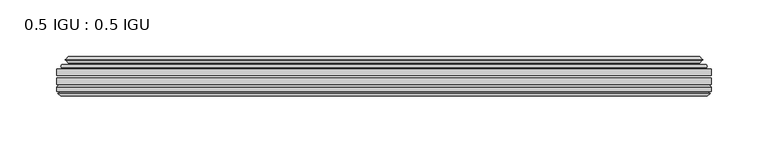
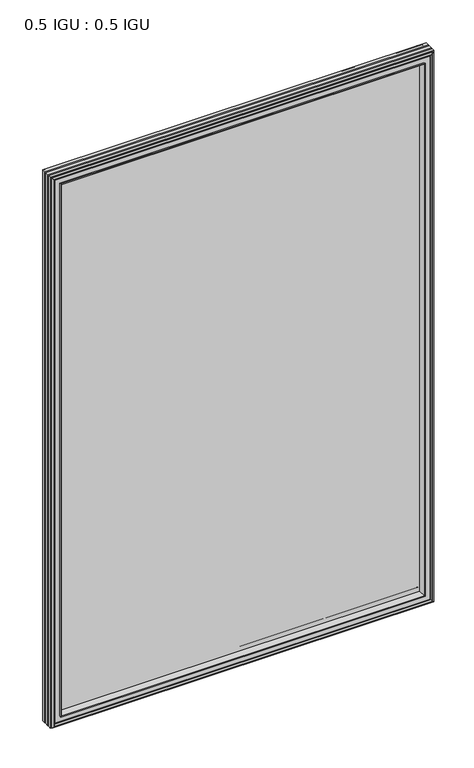
"""IFC4 building model written with IfcOpenShell, lengths in millimetres: plate geometry, 0.5 IGU : 0.5 IGU."""

from ifc_helpers import new_model, si_unit, frame, origin, place, context, project, spatial, polyline, ellipse_curve, outline, extrude, faceted_brep, source, transform, mapped, element, save
from ifc_brep_helpers import plane_surface, cylinder_surface, revolved_surface, advanced_brep


def plate_0_5_igu_0_5_igu_e51e6da3(model_context):
    return source(origin(), model_context, "Body", "SolidModel", [
        extrude(outline(polyline([(287.351675, -55.82285), (287.351675, -61.48705), (-287.3375, -61.48705), (-287.3375, -55.82285), (287.351675, -55.82285)])), frame((0.0, 0.0, -14.2875), z_axis=(0.0, 0.0, 1.0), x_axis=(1.0, 0.0, 0.0)), (0.0, 0.0, 1.0), 873.1287979),
        extrude(outline(polyline([(-287.3375, -69.05625), (-287.3375, -63.39205), (287.351675, -63.39205), (287.351675, -69.05625), (-287.3375, -69.05625)])), frame((0.0, 0.0, -14.2875), z_axis=(0.0, 0.0, 1.0), x_axis=(1.0, 0.0, 0.0)), (0.0, 0.0, 1.0), 873.1287979),
        advanced_brep(
        [(-283.2349626, -54.3724927, 854.7349626), (-282.1904378, -51.60645, 853.6904378), (-282.1904378, -51.60645, -9.1404378), (-283.2349626, -54.3724927, -10.1849626), (-281.598517, -55.82285, 853.098517), (-281.598517, -55.82285, -8.548517), (-273.05, -45.63745, 844.55), (-269.4672761, -55.82285, 840.9672761), (-269.4672761, -55.82285, 3.5827239), (-273.05, -45.63745, 0.0), (-278.2359109, -46.8185491, 849.7359109), (-278.2359109, -46.8185491, -5.1859109), (-277.4388893, -44.8183085, 848.9388893), (-277.4388893, -44.8183085, -4.3888893), (-279.7226111, -47.135817, 851.2226111), (-279.7226111, -47.135817, -6.6726111), (-279.7226111, -47.8489429, 851.2226111), (-279.7226111, -47.8489429, -6.6726111), (-277.4388893, -50.1664515, 848.9388893), (-277.4388893, -50.1664515, -4.3888893), (-278.2282501, -48.1854367, 849.7282501), (-278.2282501, -48.1854367, -5.1782501), (-275.7044379, -48.027045, 847.2044379), (-275.7044379, -48.027045, -2.6544379), (-274.6786217, -48.7147544, 846.1786217), (-274.6786217, -48.7147544, -1.6286217), (-274.7970288, -50.1092231, 846.2970288), (-274.7970288, -50.1092231, -1.7470288), (-275.3987748, -51.60645, 846.8987748), (-275.3987748, -51.60645, -2.3487748), (282.1904378, -51.60645, -9.1404378), (283.2349626, -54.3724927, -10.1849626), (281.598517, -55.82285, -8.548517), (269.4672761, -55.82285, 3.5827239), (273.05, -45.63745, 0.0), (278.2359109, -46.8185491, -5.1859109), (277.4388893, -44.8183085, -4.3888893), (279.7226111, -47.135817, -6.6726111), (279.7226111, -47.8489429, -6.6726111), (277.4388893, -50.1664515, -4.3888893), (278.2282501, -48.1854367, -5.1782501), (275.7044379, -48.027045, -2.6544379), (274.6786217, -48.7147544, -1.6286217), (274.7970288, -50.1092231, -1.7470288), (275.3987748, -51.60645, -2.3487748), (282.1904378, -51.60645, 853.6904378), (283.2349626, -54.3724927, 854.7349626), (281.598517, -55.82285, 853.098517), (269.4672761, -55.82285, 840.9672761), (273.05, -45.63745, 844.55), (278.2359109, -46.8185491, 849.7359109), (277.4388893, -44.8183085, 848.9388893), (279.7226111, -47.135817, 851.2226111), (279.7226111, -47.8489429, 851.2226111), (277.4388893, -50.1664515, 848.9388893), (278.2282501, -48.1854367, 849.7282501), (275.7044379, -48.027045, 847.2044379), (274.6786217, -48.7147544, 846.1786217), (274.7970288, -50.1092231, 846.2970288), (275.3987748, -51.60645, 846.8987748)],
        [
            (0, 1, ellipse_curve(frame((-282.1820703, -53.1898501, 853.6820703), z_axis=(-0.7071067811865475, 0.0, -0.7071067811865475), x_axis=(-0.7071067811865474, 0.0, 0.7071067811865476)), 2.2392971, 1.5834222)),
            (1, 2),
            (2, 3, ellipse_curve(frame((-282.1820703, -53.1898501, -9.1320703), z_axis=(-0.7071067811865475, 0.0, 0.7071067811865475), x_axis=(0.7071067811865474, 0.0, 0.7071067811865476)), 2.2392971, 1.5834222)),
            (3, 0),
            (4, 0),
            (3, 5),
            (5, 4),
            (6, 7, ellipse_curve(frame((-240.770246, -40.0058297, 812.270246), z_axis=(0.7071067811865475, 0.0, 0.7071067811865475), x_axis=(0.7071067811865474, 0.0, -0.7071067811865476)), 46.3399971, 32.7673262)),
            (7, 8),
            (8, 9, ellipse_curve(frame((-240.770246, -40.0058297, 32.279754), z_axis=(0.7071067811865475, 0.0, -0.7071067811865475), x_axis=(-0.7071067811865474, 0.0, -0.7071067811865476)), 46.3399971, 32.7673262)),
            (9, 6),
            (10, 6),
            (9, 11),
            (11, 10),
            (12, 10),
            (11, 13),
            (13, 12),
            (14, 12),
            (13, 15),
            (15, 14),
            (16, 14, ellipse_curve(frame((-279.3607729, -47.49238, 850.8607729), z_axis=(-0.7071067811865475, 0.0, -0.7071067811865475), x_axis=(-0.7071067811865474, 0.0, 0.7071067811865476)), 0.7184205, 0.508)),
            (15, 17, ellipse_curve(frame((-279.3607729, -47.49238, -6.3107729), z_axis=(-0.7071067811865475, 0.0, 0.7071067811865475), x_axis=(0.7071067811865474, 0.0, 0.7071067811865476)), 0.7184205, 0.508)),
            (17, 16),
            (18, 16),
            (17, 19),
            (19, 18),
            (20, 18),
            (19, 21),
            (21, 20),
            (22, 20),
            (21, 23),
            (23, 22),
            (24, 22, ellipse_curve(frame((-275.6408, -49.04105, 847.1408), z_axis=(0.7071067811865475, 0.0, 0.7071067811865475), x_axis=(0.7071067811865474, 0.0, -0.7071067811865476)), 1.436841, 1.016)),
            (23, 25, ellipse_curve(frame((-275.6408, -49.04105, -2.5908), z_axis=(0.7071067811865475, 0.0, -0.7071067811865475), x_axis=(-0.7071067811865474, 0.0, -0.7071067811865476)), 1.436841, 1.016)),
            (25, 24),
            (26, 24, ellipse_curve(frame((-277.0124, -49.21885, 848.5124), z_axis=(0.7071067811865475, 0.0, 0.7071067811865475), x_axis=(0.7071067811865474, 0.0, -0.7071067811865476)), 3.3765763, 2.3876)),
            (25, 27, ellipse_curve(frame((-277.0124, -49.21885, -3.9624), z_axis=(0.7071067811865475, 0.0, -0.7071067811865475), x_axis=(-0.7071067811865474, 0.0, -0.7071067811865476)), 3.3765763, 2.3876)),
            (27, 26),
            (28, 26),
            (27, 29),
            (29, 28),
            (2, 30),
            (30, 31, ellipse_curve(frame((282.1820703, -53.1898501, -9.1320703), z_axis=(-0.7071067811865475, 0.0, -0.7071067811865475), x_axis=(-0.7071067811865476, 0.0, 0.7071067811865474)), 2.2392971, 1.5834222)),
            (31, 3),
            (31, 32),
            (32, 5),
            (8, 33),
            (33, 34, ellipse_curve(frame((240.770246, -40.0058297, 32.279754), z_axis=(0.7071067811865475, 0.0, 0.7071067811865475), x_axis=(0.7071067811865476, 0.0, -0.7071067811865474)), 46.3399971, 32.7673262)),
            (34, 9),
            (34, 35),
            (35, 11),
            (35, 36),
            (36, 13),
            (36, 37),
            (37, 15),
            (37, 38, ellipse_curve(frame((279.3607729, -47.49238, -6.3107729), z_axis=(-0.7071067811865475, 0.0, -0.7071067811865475), x_axis=(-0.7071067811865476, 0.0, 0.7071067811865474)), 0.7184205, 0.508)),
            (38, 17),
            (38, 39),
            (39, 19),
            (39, 40),
            (40, 21),
            (40, 41),
            (41, 23),
            (41, 42, ellipse_curve(frame((275.6408, -49.04105, -2.5908), z_axis=(0.7071067811865475, 0.0, 0.7071067811865475), x_axis=(0.7071067811865476, 0.0, -0.7071067811865474)), 1.436841, 1.016)),
            (42, 25),
            (42, 43, ellipse_curve(frame((277.0124, -49.21885, -3.9624), z_axis=(0.7071067811865475, 0.0, 0.7071067811865475), x_axis=(0.7071067811865476, 0.0, -0.7071067811865474)), 3.3765763, 2.3876)),
            (43, 27),
            (43, 44),
            (44, 29),
            (30, 45),
            (45, 46, ellipse_curve(frame((282.1820703, -53.1898501, 853.6820703), z_axis=(0.7071067811865475, 0.0, -0.7071067811865475), x_axis=(-0.7071067811865474, 0.0, -0.7071067811865476)), 2.2392971, 1.5834222)),
            (46, 31),
            (46, 47),
            (47, 32),
            (33, 48),
            (48, 49, ellipse_curve(frame((240.770246, -40.0058297, 812.270246), z_axis=(-0.7071067811865475, 0.0, 0.7071067811865475), x_axis=(0.7071067811865474, 0.0, 0.7071067811865476)), 46.3399971, 32.7673262)),
            (49, 34),
            (49, 50),
            (50, 35),
            (50, 51),
            (51, 36),
            (51, 52),
            (52, 37),
            (52, 53, ellipse_curve(frame((279.3607729, -47.49238, 850.8607729), z_axis=(0.7071067811865475, 0.0, -0.7071067811865475), x_axis=(-0.7071067811865474, 0.0, -0.7071067811865476)), 0.7184205, 0.508)),
            (53, 38),
            (53, 54),
            (54, 39),
            (54, 55),
            (55, 40),
            (55, 56),
            (56, 41),
            (56, 57, ellipse_curve(frame((275.6408, -49.04105, 847.1408), z_axis=(-0.7071067811865475, 0.0, 0.7071067811865475), x_axis=(0.7071067811865474, 0.0, 0.7071067811865476)), 1.436841, 1.016)),
            (57, 42),
            (57, 58, ellipse_curve(frame((277.0124, -49.21885, 848.5124), z_axis=(-0.7071067811865475, 0.0, 0.7071067811865475), x_axis=(0.7071067811865474, 0.0, 0.7071067811865476)), 3.3765763, 2.3876)),
            (58, 43),
            (58, 59),
            (59, 44),
            (45, 1),
            (0, 46),
            (4, 47),
            (7, 48),
            (6, 49),
            (10, 50),
            (12, 51),
            (14, 52),
            (16, 53),
            (18, 54),
            (20, 55),
            (22, 56),
            (24, 57),
            (26, 58),
            (28, 59),
        ],
        [
            cylinder_surface(frame((-282.1820703, -53.1898501, 876.3), z_axis=(0.0, 0.0, 1.0), x_axis=(-1.0, 0.0, 0.0)), 1.5834222),
            plane_surface(frame((-283.2349626, -54.3724927, 854.7349626), z_axis=(-0.6632745773184306, -0.7483761320907135, 0.0), x_axis=(0.0, 0.0, -1.0))),
            revolved_surface(polyline([(-273.5375722, -40.0058297, -0.48757218957496207), (-273.5375722, -40.0058297, 845.037572189575)]), (-240.770246, -40.0058297, 876.3), (0.0, 0.0, -1.0)),
            plane_surface(frame((-273.05, -45.63745, 844.55), z_axis=(-0.2220649844278743, 0.975031867525902, 0.0), x_axis=(0.0, 0.0, -1.0))),
            plane_surface(frame((-278.2359109, -46.8185491, 849.7359109), z_axis=(0.928968268563027, -0.37015936568323066, 0.0), x_axis=(0.0, 0.0, -1.0))),
            plane_surface(frame((-277.4388893, -44.8183085, 848.9388893), z_axis=(-0.7122798501733482, 0.7018955869907096, 0.0), x_axis=(0.0, 0.0, -1.0))),
            cylinder_surface(frame((-279.3607729, -47.49238, 876.3), z_axis=(0.0, 0.0, 1.0), x_axis=(-1.0, 0.0, 0.0)), 0.508),
            plane_surface(frame((-279.7226111, -47.8489429, 851.2226111), z_axis=(-0.7122798501732925, -0.701895586990766, 0.0), x_axis=(0.0, 0.0, -1.0))),
            plane_surface(frame((-277.4388893, -50.1664515, 848.9388893), z_axis=(0.9289682685628707, 0.3701593656836228, 0.0), x_axis=(0.0, 0.0, -1.0))),
            plane_surface(frame((-278.2282501, -48.1854367, 849.7282501), z_axis=(0.0626357011928498, -0.9980364567169279, 0.0), x_axis=(0.0, 0.0, -1.0))),
            revolved_surface(polyline([(-276.65680000000003, -49.04105, -3.606800014586838), (-276.65680000000003, -49.04105, 848.1568000145869)]), (-275.6408, -49.04105, 876.3), (0.0, 0.0, -1.0)),
            revolved_surface(polyline([(-279.40000000000003, -49.21885, -6.3499999989237494), (-279.40000000000003, -49.21885, 850.8999999989237)]), (-277.0124, -49.21885, 876.3), (0.0, 0.0, -1.0)),
            plane_surface(frame((-274.7970288, -50.1092231, 846.2970288), z_axis=(-0.9278652925428184, 0.3729155385532094, 0.0), x_axis=(0.0, 0.0, -1.0))),
            cylinder_surface(frame((-304.8, -53.1898501, -9.1320703), z_axis=(-1.0, 0.0, 0.0), x_axis=(0.0, 0.0, -1.0)), 1.5834222),
            plane_surface(frame((-283.2349626, -54.3724927, -10.1849626), z_axis=(0.0, -0.7483761320907157, -0.6632745773184283), x_axis=(1.0, 0.0, 0.0))),
            revolved_surface(polyline([(273.537572189575, -40.0058297, -0.48757220000000245), (-273.5375721895749, -40.0058297, -0.48757220000000245)]), (-304.8, -40.0058297, 32.279754), (1.0, 0.0, 0.0)),
            plane_surface(frame((-273.05, -45.63745, 0.0), z_axis=(0.0, 0.9750318675259013, -0.22206498442787745), x_axis=(1.0, 0.0, 0.0))),
            plane_surface(frame((-278.2359109, -46.8185491, -5.1859109), z_axis=(0.0, -0.37015936568322766, 0.9289682685630283), x_axis=(1.0, 0.0, 0.0))),
            plane_surface(frame((-277.4388893, -44.8183085, -4.3888893), z_axis=(0.0, 0.7018955869907073, -0.7122798501733504), x_axis=(1.0, 0.0, 0.0))),
            cylinder_surface(frame((-304.8, -47.49238, -6.3107729), z_axis=(-1.0, 0.0, 0.0), x_axis=(0.0, 0.0, -1.0)), 0.508),
            plane_surface(frame((-279.7226111, -47.8489429, -6.6726111), z_axis=(0.0, -0.7018955869907684, -0.7122798501732903), x_axis=(1.0, 0.0, 0.0))),
            plane_surface(frame((-277.4388893, -50.1664515, -4.3888893), z_axis=(0.0, 0.37015936568362584, 0.9289682685628696), x_axis=(1.0, 0.0, 0.0))),
            plane_surface(frame((-278.2282501, -48.1854367, -5.1782501), z_axis=(0.0, -0.9980364567169276, 0.06263570119285301), x_axis=(1.0, 0.0, 0.0))),
            revolved_surface(polyline([(276.65680001458696, -49.04105, -3.6068000000000002), (-276.65680001458685, -49.04105, -3.6068000000000002)]), (-304.8, -49.04105, -2.5908), (1.0, 0.0, 0.0)),
            revolved_surface(polyline([(279.39999999892376, -49.21885, -6.35), (-279.3999999989238, -49.21885, -6.35)]), (-304.8, -49.21885, -3.9624), (1.0, 0.0, 0.0)),
            plane_surface(frame((-274.7970288, -50.1092231, -1.7470288), z_axis=(0.0, 0.3729155385532064, -0.9278652925428196), x_axis=(1.0, 0.0, 0.0))),
            cylinder_surface(frame((282.1820703, -53.1898501, -31.75), z_axis=(0.0, 0.0, -1.0), x_axis=(1.0, 0.0, 0.0)), 1.5834222),
            plane_surface(frame((283.2349626, -54.3724927, -10.1849626), z_axis=(0.6632745773184259, -0.7483761320907178, 0.0), x_axis=(0.0, 0.0, 1.0))),
            revolved_surface(polyline([(273.5375722, -40.0058297, 845.037572189575), (273.5375722, -40.0058297, -0.48757218957494075)]), (240.770246, -40.0058297, -31.75), (0.0, 0.0, 1.0)),
            plane_surface(frame((273.05, -45.63745, 0.0), z_axis=(0.22206498442788056, 0.9750318675259005, 0.0), x_axis=(0.0, 0.0, 1.0))),
            plane_surface(frame((278.2359109, -46.8185491, -5.1859109), z_axis=(-0.9289682685630295, -0.37015936568322466, 0.0), x_axis=(0.0, 0.0, 1.0))),
            plane_surface(frame((277.4388893, -44.8183085, -4.3888893), z_axis=(0.7122798501733526, 0.701895586990705, 0.0), x_axis=(0.0, 0.0, 1.0))),
            cylinder_surface(frame((279.3607729, -47.49238, -31.75), z_axis=(0.0, 0.0, -1.0), x_axis=(1.0, 0.0, 0.0)), 0.508),
            plane_surface(frame((279.7226111, -47.8489429, -6.6726111), z_axis=(0.712279850173288, -0.7018955869907706, 0.0), x_axis=(0.0, 0.0, 1.0))),
            plane_surface(frame((277.4388893, -50.1664515, -4.3888893), z_axis=(-0.9289682685628684, 0.37015936568362884, 0.0), x_axis=(0.0, 0.0, 1.0))),
            plane_surface(frame((278.2282501, -48.1854367, -5.1782501), z_axis=(-0.06263570119285623, -0.9980364567169274, 0.0), x_axis=(0.0, 0.0, 1.0))),
            revolved_surface(polyline([(276.65680000000003, -49.04105, 848.1568000145869), (276.65680000000003, -49.04105, -3.606800014586863)]), (275.6408, -49.04105, -31.75), (0.0, 0.0, 1.0)),
            revolved_surface(polyline([(279.40000000000003, -49.21885, 850.8999999989237), (279.40000000000003, -49.21885, -6.349999998923781)]), (277.0124, -49.21885, -31.75), (0.0, 0.0, 1.0)),
            plane_surface(frame((274.7970288, -50.1092231, -1.7470288), z_axis=(0.9278652925428208, 0.3729155385532034, 0.0), x_axis=(0.0, 0.0, 1.0))),
            cylinder_surface(frame((304.8, -53.1898501, 853.6820703), z_axis=(1.0, 0.0, 0.0), x_axis=(0.0, 0.0, 1.0)), 1.5834222),
            plane_surface(frame((283.2349626, -54.3724927, 854.7349626), z_axis=(0.0, -0.7483761320907157, 0.6632745773184283), x_axis=(-1.0, 0.0, 0.0))),
            plane_surface(frame((281.598517, -55.82285, 853.098517), z_axis=(0.0, -1.0, 0.0), x_axis=(-1.0, 0.0, 0.0))),
            revolved_surface(polyline([(-273.537572189575, -40.0058297, 845.0375722), (273.5375721895749, -40.0058297, 845.0375722)]), (304.8, -40.0058297, 812.270246), (-1.0, 0.0, 0.0)),
            plane_surface(frame((273.05, -45.63745, 844.55), z_axis=(0.0, 0.9750318675259012, 0.22206498442787742), x_axis=(-1.0, 0.0, 0.0))),
            plane_surface(frame((278.2359109, -46.8185491, 849.7359109), z_axis=(0.0, -0.37015936568322766, -0.9289682685630283), x_axis=(-1.0, 0.0, 0.0))),
            plane_surface(frame((277.4388893, -44.8183085, 848.9388893), z_axis=(0.0, 0.7018955869907073, 0.7122798501733504), x_axis=(-1.0, 0.0, 0.0))),
            cylinder_surface(frame((304.8, -47.49238, 850.8607729), z_axis=(1.0, 0.0, 0.0), x_axis=(0.0, 0.0, 1.0)), 0.508),
            plane_surface(frame((279.7226111, -47.8489429, 851.2226111), z_axis=(0.0, -0.7018955869907684, 0.7122798501732903), x_axis=(-1.0, 0.0, 0.0))),
            plane_surface(frame((277.4388893, -50.1664515, 848.9388893), z_axis=(0.0, 0.37015936568362584, -0.9289682685628696), x_axis=(-1.0, 0.0, 0.0))),
            plane_surface(frame((278.2282501, -48.1854367, 849.7282501), z_axis=(0.0, -0.9980364567169276, -0.06263570119285301), x_axis=(-1.0, 0.0, 0.0))),
            revolved_surface(polyline([(-276.65680001458696, -49.04105, 848.1568), (276.65680001458685, -49.04105, 848.1568)]), (304.8, -49.04105, 847.1408), (-1.0, 0.0, 0.0)),
            revolved_surface(polyline([(-279.39999999892376, -49.21885, 850.9), (279.3999999989238, -49.21885, 850.9)]), (304.8, -49.21885, 848.5124), (-1.0, 0.0, 0.0)),
            plane_surface(frame((274.7970288, -50.1092231, 846.2970288), z_axis=(0.0, 0.3729155385532064, 0.9278652925428196), x_axis=(-1.0, 0.0, 0.0))),
            plane_surface(frame((275.3987748, -51.60645, 846.8987748), z_axis=(0.0, 1.0, 0.0), x_axis=(-1.0, 0.0, 0.0))),
        ],
        [
            (0, [[1, 2, 3, 4]]),
            (1, [[5, -4, 6, 7]]),
            (2, [[8, 9, 10, 11]]),
            (3, [[12, -11, 13, 14]]),
            (4, [[15, -14, 16, 17]]),
            (5, [[18, -17, 19, 20]]),
            (6, [[21, -20, 22, 23]]),
            (7, [[24, -23, 25, 26]]),
            (8, [[27, -26, 28, 29]]),
            (9, [[30, -29, 31, 32]]),
            (10, [[33, -32, 34, 35]]),
            (11, [[36, -35, 37, 38]]),
            (12, [[39, -38, 40, 41]]),
            (13, [[-3, 42, 43, 44]]),
            (14, [[-6, -44, 45, 46]]),
            (15, [[-10, 47, 48, 49]]),
            (16, [[-13, -49, 50, 51]]),
            (17, [[-16, -51, 52, 53]]),
            (18, [[-19, -53, 54, 55]]),
            (19, [[-22, -55, 56, 57]]),
            (20, [[-25, -57, 58, 59]]),
            (21, [[-28, -59, 60, 61]]),
            (22, [[-31, -61, 62, 63]]),
            (23, [[-34, -63, 64, 65]]),
            (24, [[-37, -65, 66, 67]]),
            (25, [[-40, -67, 68, 69]]),
            (26, [[-43, 70, 71, 72]]),
            (27, [[-45, -72, 73, 74]]),
            (28, [[-48, 75, 76, 77]]),
            (29, [[-50, -77, 78, 79]]),
            (30, [[-52, -79, 80, 81]]),
            (31, [[-54, -81, 82, 83]]),
            (32, [[-56, -83, 84, 85]]),
            (33, [[-58, -85, 86, 87]]),
            (34, [[-60, -87, 88, 89]]),
            (35, [[-62, -89, 90, 91]]),
            (36, [[-64, -91, 92, 93]]),
            (37, [[-66, -93, 94, 95]]),
            (38, [[-68, -95, 96, 97]]),
            (39, [[-71, 98, -1, 99]]),
            (40, [[-73, -99, -5, 100]]),
            (41, [[-46, -74, -100, -7], [101, -75, -47, -9]]),
            (42, [[-76, -101, -8, 102]]),
            (43, [[-78, -102, -12, 103]]),
            (44, [[-80, -103, -15, 104]]),
            (45, [[-82, -104, -18, 105]]),
            (46, [[-84, -105, -21, 106]]),
            (47, [[-86, -106, -24, 107]]),
            (48, [[-88, -107, -27, 108]]),
            (49, [[-90, -108, -30, 109]]),
            (50, [[-92, -109, -33, 110]]),
            (51, [[-94, -110, -36, 111]]),
            (52, [[-96, -111, -39, 112]]),
            (53, [[-98, -70, -42, -2], [-69, -97, -112, -41]]),
        ],
    ),
        faceted_brep([(-269.1957827, -69.05625, 840.6957827), (-271.7620798, -77.94625, 843.2620798), (-271.7620798, -77.94625, 1.2879202), (-269.1957827, -69.05625, 3.8542173), (-287.3502, -71.2633102, 858.8502), (-285.1431398, -69.05625, 856.6431398), (-285.1431398, -69.05625, -12.0931398), (-287.3502, -71.2633102, -14.3002), (-287.3502, -75.40625, 858.8502), (-287.3502, -75.40625, -14.3002), (-284.9311775, -76.58989, 856.4311775), (-285.8008, -75.40625, 857.3008), (-285.8008, -75.40625, -12.7508), (-284.9311775, -76.58989, -11.8811775), (-284.734, -77.8875884, 856.234), (-284.734, -77.8875884, -11.684), (-285.70966, -77.3578917, 857.20966), (-285.70966, -77.3578917, -12.65966), (-284.1752, -79.1749663, 855.6752), (-286.5023305, -77.3578917, 858.0023305), (-286.5023305, -77.3578917, -13.4523305), (-284.1752, -79.1749663, -11.1252), (-281.8480695, -77.3578917, 853.3480695), (-281.8480695, -77.3578917, -8.7980695), (-283.6164, -77.8875884, 855.1164), (-282.64074, -77.3578917, 854.14074), (-282.64074, -77.3578917, -9.59074), (-283.6164, -77.8875884, -10.5664), (-283.4192225, -76.58989, 854.9192225), (-283.4192225, -76.58989, -10.3692225), (-282.5496, -75.40625, 854.0496), (-282.5496, -75.40625, -9.4996), (-273.4013667, -77.94625, 844.9013667), (-272.8722, -75.40625, 844.3722), (-272.8722, -75.40625, 0.1778), (-273.4013667, -77.94625, -0.3513667), (271.7620798, -77.94625, 1.2879202), (269.1957827, -69.05625, 3.8542173), (285.1431398, -69.05625, -12.0931398), (287.3502, -71.2633102, -14.3002), (287.3502, -75.40625, -14.3002), (285.8008, -75.40625, -12.7508), (284.9311775, -76.58989, -11.8811775), (284.734, -77.8875884, -11.684), (285.70966, -77.3578917, -12.65966), (286.5023305, -77.3578917, -13.4523305), (284.1752, -79.1749663, -11.1252), (281.8480695, -77.3578917, -8.7980695), (282.64074, -77.3578917, -9.59074), (283.6164, -77.8875884, -10.5664), (283.4192225, -76.58989, -10.3692225), (282.5496, -75.40625, -9.4996), (272.8722, -75.40625, 0.1778), (273.4013667, -77.94625, -0.3513667), (271.7620798, -77.94625, 843.2620798), (269.1957827, -69.05625, 840.6957827), (285.1431398, -69.05625, 856.6431398), (287.3502, -71.2633102, 858.8502), (287.3502, -75.40625, 858.8502), (285.8008, -75.40625, 857.3008), (284.9311775, -76.58989, 856.4311775), (284.734, -77.8875884, 856.234), (285.70966, -77.3578917, 857.20966), (286.5023305, -77.3578917, 858.0023305), (284.1752, -79.1749663, 855.6752), (281.8480695, -77.3578917, 853.3480695), (282.64074, -77.3578917, 854.14074), (283.6164, -77.8875884, 855.1164), (283.4192225, -76.58989, 854.9192225), (282.5496, -75.40625, 854.0496), (272.8722, -75.40625, 844.3722), (273.4013667, -77.94625, 844.9013667)], [[[0, 1, 2, 3]], [[4, 5, 6, 7]], [[8, 4, 7, 9]], [[10, 11, 12, 13]], [[14, 10, 13, 15]], [[16, 14, 15, 17]], [[18, 19, 20, 21]], [[22, 18, 21, 23]], [[24, 25, 26, 27]], [[28, 24, 27, 29]], [[30, 28, 29, 31]], [[32, 33, 34, 35]], [[3, 2, 36, 37]], [[7, 6, 38, 39]], [[9, 7, 39, 40]], [[13, 12, 41, 42]], [[15, 13, 42, 43]], [[17, 15, 43, 44]], [[21, 20, 45, 46]], [[23, 21, 46, 47]], [[27, 26, 48, 49]], [[29, 27, 49, 50]], [[31, 29, 50, 51]], [[35, 34, 52, 53]], [[37, 36, 54, 55]], [[39, 38, 56, 57]], [[40, 39, 57, 58]], [[42, 41, 59, 60]], [[43, 42, 60, 61]], [[44, 43, 61, 62]], [[46, 45, 63, 64]], [[47, 46, 64, 65]], [[49, 48, 66, 67]], [[50, 49, 67, 68]], [[51, 50, 68, 69]], [[53, 52, 70, 71]], [[55, 54, 1, 0]], [[5, 56, 38, 6], [3, 37, 55, 0]], [[57, 56, 5, 4]], [[58, 57, 4, 8]], [[9, 40, 58, 8], [11, 59, 41, 12]], [[60, 59, 11, 10]], [[61, 60, 10, 14]], [[62, 61, 14, 16]], [[19, 63, 45, 20], [17, 44, 62, 16]], [[64, 63, 19, 18]], [[65, 64, 18, 22]], [[25, 66, 48, 26], [23, 47, 65, 22]], [[67, 66, 25, 24]], [[68, 67, 24, 28]], [[69, 68, 28, 30]], [[31, 51, 69, 30], [33, 70, 52, 34]], [[71, 70, 33, 32]], [[35, 53, 71, 32], [1, 54, 36, 2]]]),
    ])


if __name__ == "__main__":
    model = new_model("IFC4")
    model_context = context("Model", 3, world=origin())
    ifc_project = project(units=[si_unit("LENGTHUNIT", "METRE", prefix="MILLI")], contexts=[model_context])
    site = spatial("IfcSite", under=ifc_project)
    building = spatial("IfcBuilding", under=site)
    placement = place(None, origin())
    plate_0_5_igu_0_5_igu_shape = plate_0_5_igu_0_5_igu_e51e6da3(model_context)
    element("IfcPlate", 1, ObjectType="0.5 IGU : 0.5 IGU", at=placement, inside=building, context=model_context, shape_type="MappedRepresentation", body=[
        mapped(plate_0_5_igu_0_5_igu_shape, transform((0.0, 0.0, 0.0), x_axis=(1.0, 0.0, 0.0), y_axis=(0.0, 1.0, 0.0), z_axis=(0.0, 0.0, 1.0))),
    ])
    save(model, "model.ifc")
